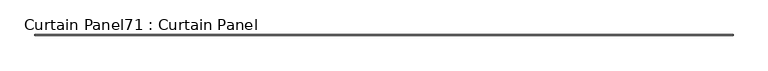
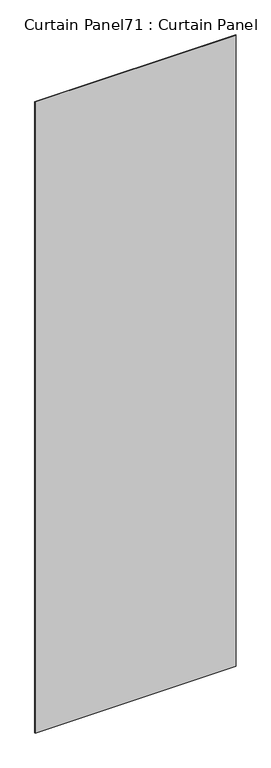
"""IFC4 building model written with IfcOpenShell, lengths in millimetres: plate geometry, Curtain Panel71 : Curtain Panel."""

from ifc_helpers import new_model, si_unit, frame, origin, place, context, project, spatial, polyline, outline, extrude, source, transform, mapped, element, save


def curtain_panel71_curtain_panel_fccdb13b(model_context):
    return source(origin(), model_context, "Body", "SweptSolid", [
        extrude(outline(polyline([(137834.6598831, 8038.1084949), (133094.8917433, 8038.1084949), (133094.8917433, 8044.4584949), (137834.6598831, 8044.4584949), (137834.6598831, 8038.1084949)])), frame((0.0, 0.0, 1433.7679301), z_axis=(0.0, 0.0, 1.0), x_axis=(1.0, 0.0, 0.0)), (0.0, 0.0, 1.0), 15711.5380959),
    ])


if __name__ == "__main__":
    model = new_model("IFC4")
    model_context = context("Model", 3, world=origin())
    ifc_project = project(units=[si_unit("LENGTHUNIT", "METRE", prefix="MILLI")], contexts=[model_context])
    site = spatial("IfcSite", under=ifc_project)
    building = spatial("IfcBuilding", under=site)
    placement = place(None, origin())
    curtain_panel71_curtain_panel_shape = curtain_panel71_curtain_panel_fccdb13b(model_context)
    element("IfcPlate", 1, ObjectType="Curtain Panel71 : Curtain Panel", at=placement, inside=building, context=model_context, shape_type="MappedRepresentation", body=[
        mapped(curtain_panel71_curtain_panel_shape, transform((0.0, 0.0, 0.0), x_axis=(1.0, 0.0, 0.0), y_axis=(0.0, 1.0, 0.0), z_axis=(0.0, 0.0, 1.0))),
    ])
    save(model, "model.ifc")
